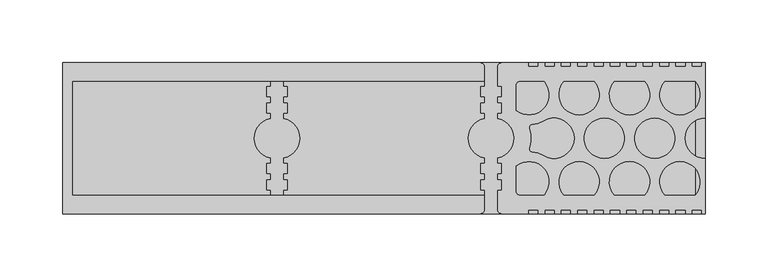
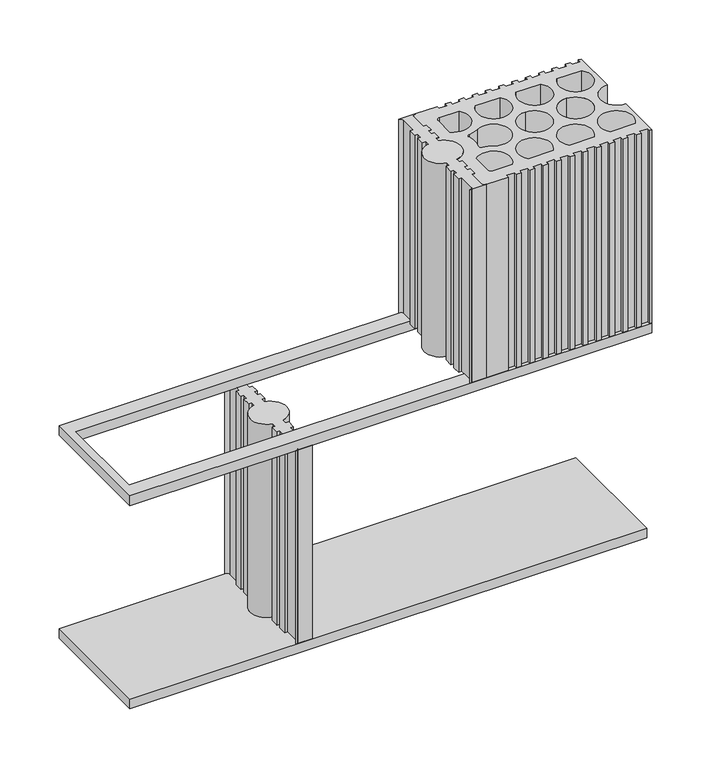
"""IFC4 building model written with IfcOpenShell, lengths in millimetres: plate geometry."""

import ifcopenshell
import ifcopenshell.guid

model = None  # the IFC model being written
_history = None  # IfcOwnerHistory: only IFC2X3 demands one
_inside = {}  # id of a spatial element -> (the spatial element, [elements in it])
_under = {}  # id of a project, library or spatial element -> (it, [spatial elements below it])
_declared = {}  # id of a project -> (the project, [libraries it declares])
_typed = {}  # id of a type object -> (the type object, [elements of that type])
_made_of = {}  # id of a material, layer set ... -> (it, [elements and type objects made of it])


def new_model(schema):
    """Start an empty IFC model of exactly this schema.

    Asked for "IFC4X3", IfcOpenShell would pick the latest addendum, in which some entities
    have other attributes; the version numbers below select the first issue.
    IFC2X3 requires an IfcOwnerHistory on every rooted entity: one is made here for all.
    """
    global model, _history
    if schema == "IFC4X3":
        model = ifcopenshell.file(schema_version=(4, 3, 0, 0))
    else:
        model = ifcopenshell.file(schema=schema)
    _inside.clear()
    _under.clear()
    _declared.clear()
    _typed.clear()
    _made_of.clear()
    _history = None
    if model.schema == "IFC2X3":
        org = make("IfcOrganization", Name="unknown")
        user = make(
            "IfcPersonAndOrganization",
            ThePerson=make("IfcPerson", FamilyName="unknown"),
            TheOrganization=org,
        )
        app = make(
            "IfcApplication",
            ApplicationDeveloper=org,
            Version="unknown",
            ApplicationFullName="unknown",
            ApplicationIdentifier="unknown",
        )
        _history = make(
            "IfcOwnerHistory",
            OwningUser=user,
            OwningApplication=app,
            ChangeAction="ADDED",
            CreationDate=0,
        )
    return model


def make(cls, **values):
    """One entity of the class cls with the attributes given. An attribute that is None is left unset."""
    return model.create_entity(
        cls, **{name: value for name, value in values.items() if value is not None}
    )


def rooted(cls, **values):
    """An entity with a GlobalId (a new one), such as an element, a storey or a relation."""
    return make(cls, GlobalId=ifcopenshell.guid.new(), OwnerHistory=_history, **values)


def si_unit(unit_type, name, prefix=None):
    """IfcSIUnit, for example si_unit("LENGTHUNIT", "METRE", prefix="MILLI")."""
    return make("IfcSIUnit", UnitType=unit_type, Prefix=prefix, Name=name)


def assignment(units):
    """IfcUnitAssignment: the units of a project."""
    return None if units is None else make("IfcUnitAssignment", Units=units)


def point(xyz):
    """IfcCartesianPoint."""
    return None if xyz is None else make("IfcCartesianPoint", Coordinates=xyz)


def direction(xyz):
    """IfcDirection."""
    return None if xyz is None else make("IfcDirection", DirectionRatios=xyz)


def frame(location, z_axis=None, x_axis=None):
    """IfcAxis2Placement3D, a coordinate frame: its origin and axes. An axis left out is left unset."""
    return make(
        "IfcAxis2Placement3D",
        Location=point(location),
        Axis=direction(z_axis),
        RefDirection=direction(x_axis),
    )


def frame_2d(location, x_axis=None):
    """IfcAxis2Placement2D, a coordinate frame in the plane: its origin and x axis."""
    return make(
        "IfcAxis2Placement2D", Location=point(location), RefDirection=direction(x_axis)
    )


def origin():
    """The frame at (0, 0, 0) with its axes left unset."""
    return frame((0.0, 0.0, 0.0))


def place(relative_to, where):
    """IfcLocalPlacement: puts the frame where relative to a parent placement (None: the world)."""
    return make(
        "IfcLocalPlacement", PlacementRelTo=relative_to, RelativePlacement=where
    )


def context(
    kind, dimensions, precision=None, world=None, true_north=None, identifier=None
):
    """IfcGeometricRepresentationContext, for example the 3D "Model" context."""
    return make(
        "IfcGeometricRepresentationContext",
        ContextIdentifier=identifier,
        ContextType=kind,
        CoordinateSpaceDimension=dimensions,
        Precision=precision,
        WorldCoordinateSystem=world,
        TrueNorth=true_north,
    )


def project(units=None, contexts=None):
    """IfcProject with its units and contexts."""
    return rooted(
        "IfcProject",
        Name="project",
        RepresentationContexts=contexts,
        UnitsInContext=assignment(units),
    )


def spatial(cls, under=None, at=None, **own):
    """A site, building, storey or space (cls), placed at a placement, below another one or the project."""
    s = rooted(cls, ObjectPlacement=at, **own)
    if under is not None:
        _under.setdefault(under.id(), (under, []))[1].append(s)
    return s


def polyline(points):
    """IfcPolyline through the points."""
    return make("IfcPolyline", Points=[point(p) for p in points])


def circle_curve(where, radius):
    """IfcCircle in the frame where."""
    return make("IfcCircle", Position=where, Radius=radius)


def trimmed(basis, trim1, trim2, sense, master):
    """IfcTrimmedCurve: the piece of a basis curve between two trims."""
    return make(
        "IfcTrimmedCurve",
        BasisCurve=basis,
        Trim1=trim1,
        Trim2=trim2,
        SenseAgreement=sense,
        MasterRepresentation=master,
    )


def segment(curve, same_sense, transition):
    """IfcCompositeCurveSegment."""
    return make(
        "IfcCompositeCurveSegment",
        Transition=transition,
        SameSense=same_sense,
        ParentCurve=curve,
    )


def composite_curve(segments, self_intersect=None):
    """IfcCompositeCurve: segments joined end to end."""
    return make("IfcCompositeCurve", Segments=segments, SelfIntersect=self_intersect)


def outline(outer, holes=None, kind="AREA"):
    """IfcArbitraryClosedProfileDef: a profile drawn as a closed curve; with holes, ...WithVoids."""
    if holes is None:
        return make("IfcArbitraryClosedProfileDef", ProfileType=kind, OuterCurve=outer)
    return make(
        "IfcArbitraryProfileDefWithVoids",
        ProfileType=kind,
        OuterCurve=outer,
        InnerCurves=holes,
    )


def extrude(swept, where, along, depth):
    """IfcExtrudedAreaSolid: the profile swept, set in the frame where, extruded along a direction by depth."""
    return make(
        "IfcExtrudedAreaSolid",
        SweptArea=swept,
        Position=where,
        ExtrudedDirection=direction(along),
        Depth=depth,
    )


def shape(context_of_items, identifier, shape_type, items):
    """IfcShapeRepresentation: the items that make up one representation, for example the "Body"."""
    return make(
        "IfcShapeRepresentation",
        ContextOfItems=context_of_items,
        RepresentationIdentifier=identifier,
        RepresentationType=shape_type,
        Items=items,
    )


def source(mapping_origin, context_of_items, identifier, shape_type, items):
    """IfcRepresentationMap: a shape defined once, which mapped items show again and again."""
    return make(
        "IfcRepresentationMap",
        MappingOrigin=mapping_origin,
        MappedRepresentation=shape(context_of_items, identifier, shape_type, items),
    )


def transform(
    local_origin,
    x_axis=None,
    y_axis=None,
    z_axis=None,
    scale=None,
    scale2=None,
    scale3=None,
    uniform=True,
):
    """IfcCartesianTransformationOperator3D, or its non-uniform kind. x_axis, y_axis, z_axis: its Axis1, 2, 3."""
    if uniform:
        return make(
            "IfcCartesianTransformationOperator3D",
            Axis1=direction(x_axis),
            Axis2=direction(y_axis),
            LocalOrigin=point(local_origin),
            Scale=scale,
            Axis3=direction(z_axis),
        )
    return make(
        "IfcCartesianTransformationOperator3DnonUniform",
        Axis1=direction(x_axis),
        Axis2=direction(y_axis),
        LocalOrigin=point(local_origin),
        Scale=scale,
        Axis3=direction(z_axis),
        Scale2=scale2,
        Scale3=scale3,
    )


def mapped(mapping_source, mapping_target):
    """IfcMappedItem: shows the shape of a source again, moved by a transform."""
    return make(
        "IfcMappedItem", MappingSource=mapping_source, MappingTarget=mapping_target
    )


def made_of(thing, what):
    """Note that an element or type object is made of a material, layer set ...; save() writes the relation."""
    if what is not None:
        _made_of.setdefault(what.id(), (what, []))[1].append(thing)
    return thing


def element(
    cls,
    number,
    at=None,
    inside=None,
    cuts=None,
    type_object=None,
    material=None,
    context=None,
    identifier="Body",
    shape_type=None,
    held_by="IfcProductDefinitionShape",
    body=None,
    shapes=None,
    **own,
):
    """One element of the class cls, such as IfcWall. Its Tag is "e" and its number.

    at: its placement. inside: the storey or other place that contains it. cuts: it is an
    opening in that element (IfcRelVoidsElement). A single representation is given by context,
    identifier, shape_type and body (its items); several are given by shapes. held_by: the class
    of the entity that holds the representations. save() writes the other relations.
    """
    e = rooted(cls, Tag="e%d" % number, ObjectPlacement=at, **own)
    if body is not None:
        shapes = [shape(context, identifier, shape_type, body)]
    if shapes is not None:
        e.Representation = make(held_by, Representations=shapes)
    if inside is not None:
        _inside.setdefault(inside.id(), (inside, []))[1].append(e)
    if cuts is not None:
        rooted(
            "IfcRelVoidsElement", RelatingBuildingElement=cuts, RelatedOpeningElement=e
        )
    if type_object is not None:
        _typed.setdefault(type_object.id(), (type_object, []))[1].append(e)
    return made_of(e, material)


def aggregate(whole, parts):
    """IfcRelAggregates: a whole, such as a stair, and the parts it consists of."""
    return rooted("IfcRelAggregates", RelatingObject=whole, RelatedObjects=parts)


def save(model, path):
    """Write the relations noted so far, then the file.

    IfcRelAggregates (storeys below a building ...), IfcRelContainedInSpatialStructure (elements
    in a storey), IfcRelDefinesByType, IfcRelAssociatesMaterial and IfcRelDeclares: one each for
    every whole, place, type object, material and project.
    """
    for whole, parts in _under.values():
        aggregate(whole, parts)
    for where, things in _inside.values():
        rooted(
            "IfcRelContainedInSpatialStructure",
            RelatedElements=things,
            RelatingStructure=where,
        )
    for kind, things in _typed.values():
        rooted("IfcRelDefinesByType", RelatedObjects=things, RelatingType=kind)
    for what, things in _made_of.values():
        rooted("IfcRelAssociatesMaterial", RelatedObjects=things, RelatingMaterial=what)
    for by, libraries in _declared.values():
        rooted("IfcRelDeclares", RelatingContext=by, RelatedDefinitions=libraries)
    model.write(path)


def plane_surface(at):
    """IfcPlane: the flat surface through the origin of the frame at, square to its z axis."""
    return make("IfcPlane", Position=at)


def cylinder_surface(at, radius):
    """IfcCylindricalSurface: all points at the distance radius from the z axis of the frame at."""
    return make("IfcCylindricalSurface", Position=at, Radius=radius)


def revolved_surface(curve, axis_point, axis_direction):
    """IfcSurfaceOfRevolution: the curve turned about the line through axis_point along axis_direction."""
    return make(
        "IfcSurfaceOfRevolution",
        SweptCurve=make("IfcArbitraryOpenProfileDef", ProfileType="CURVE", Curve=curve),
        AxisPosition=make("IfcAxis1Placement", Location=point(axis_point), Axis=direction(axis_direction)),
    )


def advanced_brep(points, edges, surfaces, faces):
    """IfcAdvancedBrep: a solid bounded by faces that lie on surfaces and meet in shared edges.

    An edge is (start, end): straight between two places in points (the first is 0);
    or (start, end, curve); or (start, end, curve, False) where it runs against its curve.
    A face is (place in surfaces, loops), or (place, loops, False) where it looks against
    its surface's normal. A loop lists edges by number (the first is 1), with a minus sign
    where the edge is run from its end to its start. The first loop is the outer one.
    """
    corners = [point(p) for p in points]
    vertices = [make("IfcVertexPoint", VertexGeometry=c) for c in corners]
    made = []
    for start, end, *more in edges:
        made.append(
            make(
                "IfcEdgeCurve",
                EdgeStart=vertices[start],
                EdgeEnd=vertices[end],
                EdgeGeometry=more[0] if more else make("IfcPolyline", Points=[corners[start], corners[end]]),
                SameSense=more[1] if len(more) > 1 else True,
            )
        )
    hull = []
    for where, loops, *sense in faces:
        bounds = []
        for j, loop in enumerate(loops):
            ring = [make("IfcOrientedEdge", EdgeElement=made[abs(k) - 1], Orientation=k > 0) for k in loop]
            bounds.append(
                make(
                    "IfcFaceOuterBound" if j == 0 else "IfcFaceBound",
                    Bound=make("IfcEdgeLoop", EdgeList=ring),
                    Orientation=True,
                )
            )
        hull.append(make("IfcAdvancedFace", Bounds=bounds, FaceSurface=surfaces[where], SameSense=sense[0] if sense else True))
    return make("IfcAdvancedBrep", Outer=make("IfcClosedShell", CfsFaces=hull))


def plate_94aa6966(model_context):
    return source(origin(), model_context, "Body", "SolidModel", [
        extrude(outline(polyline([(249.9995197, -59.9998788), (-254.9995197, -59.9998788), (-254.9995197, 59.9998815), (249.9995197, 59.9998815), (249.9995197, -59.9998788)])), frame((0.0, 0.0, -10.0), z_axis=(0.0, 0.0, 1.0), x_axis=(1.0, 0.0, 0.0)), (0.0, 0.0, 1.0), 10.0),
        advanced_brep(
        [(-89.9998399, -40.9999178, 200.0), (-89.9998399, -56.9998835, 200.0), (-92.9997277, -59.9998788, 200.0), (-76.9999521, -59.9998788, 200.0), (-79.9998399, -56.9998835, 200.0), (-79.9998399, -40.9999178, 200.0), (-76.999825, -40.9999178, 200.0), (-76.999825, -32.9999326, 200.0), (-79.9998399, -32.9999326, 200.0), (-79.9998399, -28.0000895, 200.0), (-76.999825, -28.0000895, 200.0), (-76.999825, -19.9999605, 200.0), (-79.9998399, -19.9999605, 200.0), (-79.9998399, -15.7162044, 200.0), (-79.9998399, 15.7162071, 200.0), (-79.9998399, 19.9999578, 200.0), (-76.999825, 19.9999578, 200.0), (-76.999825, 27.999943, 200.0), (-79.9998399, 27.999943, 200.0), (-79.9998399, 32.9999355, 200.0), (-76.999825, 32.9999355, 200.0), (-76.999825, 40.9999207, 200.0), (-79.9998399, 40.9999207, 200.0), (-79.9998399, 56.9998835, 200.0), (-76.999825, 59.9998761, 200.0), (-92.9998548, 59.9998761, 200.0), (-89.9998399, 56.9998835, 200.0), (-89.9998399, 40.9999207, 200.0), (-92.9998548, 40.9999207, 200.0), (-92.9998548, 32.9999355, 200.0), (-89.9998399, 32.9999355, 200.0), (-89.9998399, 27.999943, 200.0), (-92.9998548, 27.999943, 200.0), (-92.9998548, 19.9999578, 200.0), (-89.9998399, 19.9999578, 200.0), (-89.9998399, 15.7162071, 200.0), (-89.9998399, -15.7162044, 200.0), (-89.9998399, -19.9999605, 200.0), (-92.9998548, -19.9999605, 200.0), (-92.9998548, -27.9999419, 200.0), (-89.9998399, -27.9999419, 200.0), (-89.9998399, -32.9999326, 200.0), (-92.9998548, -32.9999326, 200.0), (-92.9998548, -40.9999178, 200.0), (-89.9998399, -40.9999178, 0.0), (-92.9998548, -40.9999178, 0.0), (-92.9998548, -32.9999326, 0.0), (-89.9998399, -32.9999326, 0.0), (-89.9998399, -27.9999419, 0.0), (-92.9998548, -27.9999419, 0.0), (-92.9998548, -19.9999605, 0.0), (-89.9998399, -19.9999605, 0.0), (-89.9998399, -15.7162044, 0.0), (-89.9998399, 15.7162071, 0.0), (-89.9998399, 19.9999578, 0.0), (-92.9998548, 19.9999578, 0.0), (-92.9998548, 27.999943, 0.0), (-89.9998399, 27.999943, 0.0), (-89.9998399, 32.9999355, 0.0), (-92.9998548, 32.9999355, 0.0), (-92.9998548, 40.9999207, 0.0), (-89.9998399, 40.9999207, 0.0), (-89.9998399, 56.9998835, 0.0), (-92.9998548, 59.9998761, 0.0), (-76.999825, 59.9998761, 0.0), (-79.9998399, 56.9998835, 0.0), (-79.9998399, 40.9999207, 0.0), (-76.999825, 40.9999207, 0.0), (-76.999825, 32.9999355, 0.0), (-79.9998399, 32.9999355, 0.0), (-79.9998399, 27.999943, 0.0), (-76.999825, 27.999943, 0.0), (-76.999825, 19.9999578, 0.0), (-79.9998399, 19.9999578, 0.0), (-79.9998399, 15.7162071, 0.0), (-79.9998399, -15.7162044, 0.0), (-79.9998399, -19.9999605, 0.0), (-76.999825, -19.9999605, 0.0), (-76.999825, -28.0000895, 0.0), (-79.9998399, -28.0000895, 0.0), (-79.9998399, -32.9999326, 0.0), (-76.999825, -32.9999326, 0.0), (-76.999825, -40.9999178, 0.0), (-79.9998399, -40.9999178, 0.0), (-79.9998399, -56.9998835, 0.0), (-76.9999521, -59.9998788, 0.0), (-92.9997277, -59.9998788, 0.0), (-89.9998399, -56.9998835, 0.0)],
        [
            (0, 1),
            (1, 2, circle_curve(frame((-92.9378077, -57.0619088, 200.0), z_axis=(0.0, 0.0, -1.0), x_axis=(1.0, 0.0, 0.0)), 2.9386225)),
            (2, 3),
            (3, 4, circle_curve(frame((-77.0618721, -57.0619088, 200.0), z_axis=(0.0, 0.0, -1.0), x_axis=(1.0, 0.0, 0.0)), 2.9386225)),
            (4, 5),
            (5, 6),
            (6, 7),
            (7, 8),
            (8, 9),
            (9, 10),
            (10, 11),
            (11, 12),
            (12, 13),
            (13, 14, circle_curve(frame((-82.9998224, 1.4e-06, 200.0), z_axis=(0.0, 0.0, 1.0), x_axis=(1.0, 0.0, 0.0)), 15.9999693)),
            (14, 15),
            (15, 16),
            (16, 17),
            (17, 18),
            (18, 19),
            (19, 20),
            (20, 21),
            (21, 22),
            (22, 23),
            (23, 24, circle_curve(frame((-77.0618721, 57.0619088, 200.0), z_axis=(0.0, 0.0, -1.0), x_axis=(1.0, 0.0, 0.0)), 2.9386225)),
            (24, 25),
            (25, 26, circle_curve(frame((-92.9378077, 57.0619088, 200.0), z_axis=(0.0, 0.0, -1.0), x_axis=(1.0, 0.0, 0.0)), 2.9386225)),
            (26, 27),
            (27, 28),
            (28, 29),
            (29, 30),
            (30, 31),
            (31, 32),
            (32, 33),
            (33, 34),
            (34, 35),
            (35, 36, circle_curve(frame((-86.9998574, 1.4e-06, 200.0), z_axis=(0.0, 0.0, 1.0), x_axis=(1.0, 0.0, 0.0)), 15.9999693)),
            (36, 37),
            (37, 38),
            (38, 39),
            (39, 40),
            (40, 41),
            (41, 42),
            (42, 43),
            (43, 0),
            (44, 45),
            (45, 46),
            (46, 47),
            (47, 48),
            (48, 49),
            (49, 50),
            (50, 51),
            (51, 52),
            (52, 53, circle_curve(frame((-86.9998574, 1.4e-06, 0.0), z_axis=(0.0, 0.0, -1.0), x_axis=(1.0, 0.0, 0.0)), 15.9999693)),
            (53, 54),
            (54, 55),
            (55, 56),
            (56, 57),
            (57, 58),
            (58, 59),
            (59, 60),
            (60, 61),
            (61, 62),
            (62, 63, circle_curve(frame((-92.9378077, 57.0619088, 0.0), z_axis=(0.0, 0.0, 1.0), x_axis=(1.0, 0.0, 0.0)), 2.9386225)),
            (63, 64),
            (64, 65, circle_curve(frame((-77.0618721, 57.0619088, 0.0), z_axis=(0.0, 0.0, 1.0), x_axis=(1.0, 0.0, 0.0)), 2.9386225)),
            (65, 66),
            (66, 67),
            (67, 68),
            (68, 69),
            (69, 70),
            (70, 71),
            (71, 72),
            (72, 73),
            (73, 74),
            (74, 75, circle_curve(frame((-82.9998224, 1.4e-06, 0.0), z_axis=(0.0, 0.0, -1.0), x_axis=(1.0, 0.0, 0.0)), 15.9999693)),
            (75, 76),
            (76, 77),
            (77, 78),
            (78, 79),
            (79, 80),
            (80, 81),
            (81, 82),
            (82, 83),
            (83, 84),
            (84, 85, circle_curve(frame((-77.0618721, -57.0619088, 0.0), z_axis=(0.0, 0.0, 1.0), x_axis=(1.0, 0.0, 0.0)), 2.9386225)),
            (85, 86),
            (86, 87, circle_curve(frame((-92.9378077, -57.0619088, 0.0), z_axis=(0.0, 0.0, 1.0), x_axis=(1.0, 0.0, 0.0)), 2.9386225)),
            (87, 44),
            (0, 44),
            (87, 1),
            (86, 2),
            (85, 3),
            (84, 4),
            (83, 5),
            (22, 66),
            (65, 23),
            (64, 24),
            (63, 25),
            (62, 26),
            (61, 27),
            (82, 6),
            (81, 7),
            (80, 8),
            (79, 9),
            (78, 10),
            (77, 11),
            (76, 12),
            (75, 13),
            (74, 14),
            (73, 15),
            (72, 16),
            (71, 17),
            (70, 18),
            (69, 19),
            (68, 20),
            (67, 21),
            (60, 28),
            (59, 29),
            (58, 30),
            (57, 31),
            (56, 32),
            (55, 33),
            (54, 34),
            (53, 35),
            (52, 36),
            (51, 37),
            (50, 38),
            (49, 39),
            (48, 40),
            (47, 41),
            (46, 42),
            (45, 43),
        ],
        [
            plane_surface(frame((-89.9998399, -56.9998835, 200.0), z_axis=(0.0, 0.0, 1.0), x_axis=(0.0, -1.0, 0.0))),
            plane_surface(frame((-89.9998399, -56.9998835, 0.0), z_axis=(0.0, 0.0, -1.0), x_axis=(0.0, 1.0, 0.0))),
            plane_surface(frame((-89.9998399, -40.9999178, 200.0), z_axis=(-1.0, 0.0, 0.0), x_axis=(0.0, 0.0, -1.0))),
            revolved_surface(polyline([(-89.9991852, -57.0619088, 0.0), (-89.9991852, -57.0619088, 200.0)]), (-92.9378077, -57.0619088, 0.0), (0.0, 0.0, -1.0)),
            plane_surface(frame((-92.9997277, -59.9998788, 200.0), z_axis=(0.0, -1.0, 0.0), x_axis=(0.0, 0.0, -1.0))),
            revolved_surface(polyline([(-74.12324960000001, -57.0619088, 0.0), (-74.12324960000001, -57.0619088, 200.0)]), (-77.0618721, -57.0619088, 0.0), (0.0, 0.0, -1.0)),
            plane_surface(frame((-79.9998399, -56.9998835, 200.0), z_axis=(1.0, 0.0, 0.0), x_axis=(0.0, 0.0, -1.0))),
            plane_surface(frame((-79.9998399, 40.9999207, 200.0), z_axis=(1.0, 0.0, 0.0), x_axis=(0.0, 0.0, -1.0))),
            revolved_surface(polyline([(-74.12324960000001, 57.0619088, 0.0), (-74.12324960000001, 57.0619088, 200.0)]), (-77.0618721, 57.0619088, 0.0), (0.0, 0.0, -1.0)),
            plane_surface(frame((-76.999825, 59.9998761, 200.0), z_axis=(0.0, 1.0, 0.0), x_axis=(0.0, 0.0, -1.0))),
            revolved_surface(polyline([(-89.9991852, 57.0619088, 0.0), (-89.9991852, 57.0619088, 200.0)]), (-92.9378077, 57.0619088, 0.0), (0.0, 0.0, -1.0)),
            plane_surface(frame((-89.9998399, 56.9998835, 200.0), z_axis=(-1.0, 0.0, 0.0), x_axis=(0.0, 0.0, -1.0))),
            plane_surface(frame((-79.9998399, -40.9999178, 200.0), z_axis=(0.0, -1.0, 0.0), x_axis=(0.0, 0.0, -1.0))),
            plane_surface(frame((-76.999825, -40.9999178, 200.0), z_axis=(1.0, 0.0, 0.0), x_axis=(0.0, 0.0, -1.0))),
            plane_surface(frame((-76.999825, -32.9999326, 200.0), z_axis=(0.0, 1.0, 0.0), x_axis=(0.0, 0.0, -1.0))),
            plane_surface(frame((-79.9998399, -32.9999326, 200.0), z_axis=(1.0, 0.0, 0.0), x_axis=(0.0, 0.0, -1.0))),
            plane_surface(frame((-79.9998399, -28.0000895, 200.0), z_axis=(0.0, -1.0, 0.0), x_axis=(0.0, 0.0, -1.0))),
            plane_surface(frame((-76.999825, -28.0000895, 200.0), z_axis=(1.0, 0.0, 0.0), x_axis=(0.0, 0.0, -1.0))),
            plane_surface(frame((-76.999825, -19.9999605, 200.0), z_axis=(0.0, 1.0, 0.0), x_axis=(0.0, 0.0, -1.0))),
            plane_surface(frame((-79.9998399, -19.9999605, 200.0), z_axis=(1.0, 0.0, 0.0), x_axis=(0.0, 0.0, -1.0))),
            cylinder_surface(frame((-82.9998224, 1.4e-06, 0.0), z_axis=(0.0, 0.0, 1.0), x_axis=(1.0, 0.0, 0.0)), 15.9999693),
            plane_surface(frame((-79.9998399, 15.7162071, 200.0), z_axis=(1.0, 0.0, 0.0), x_axis=(0.0, 0.0, -1.0))),
            plane_surface(frame((-79.9998399, 19.9999578, 200.0), z_axis=(0.0, -1.0, 0.0), x_axis=(0.0, 0.0, -1.0))),
            plane_surface(frame((-76.999825, 19.9999578, 200.0), z_axis=(1.0, 0.0, 0.0), x_axis=(0.0, 0.0, -1.0))),
            plane_surface(frame((-76.999825, 27.999943, 200.0), z_axis=(0.0, 1.0, 0.0), x_axis=(0.0, 0.0, -1.0))),
            plane_surface(frame((-79.9998399, 27.999943, 200.0), z_axis=(1.0, 0.0, 0.0), x_axis=(0.0, 0.0, -1.0))),
            plane_surface(frame((-79.9998399, 32.9999355, 200.0), z_axis=(0.0, -1.0, 0.0), x_axis=(0.0, 0.0, -1.0))),
            plane_surface(frame((-76.999825, 32.9999355, 200.0), z_axis=(1.0, 0.0, 0.0), x_axis=(0.0, 0.0, -1.0))),
            plane_surface(frame((-76.999825, 40.9999207, 200.0), z_axis=(0.0, 1.0, 0.0), x_axis=(0.0, 0.0, -1.0))),
            plane_surface(frame((-89.9998399, 40.9999207, 200.0), z_axis=(0.0, 1.0, 0.0), x_axis=(0.0, 0.0, -1.0))),
            plane_surface(frame((-92.9998548, 40.9999207, 200.0), z_axis=(-1.0, 0.0, 0.0), x_axis=(0.0, 0.0, -1.0))),
            plane_surface(frame((-92.9998548, 32.9999355, 200.0), z_axis=(0.0, -1.0, 0.0), x_axis=(0.0, 0.0, -1.0))),
            plane_surface(frame((-89.9998399, 32.9999355, 200.0), z_axis=(-1.0, 0.0, 0.0), x_axis=(0.0, 0.0, -1.0))),
            plane_surface(frame((-89.9998399, 27.999943, 200.0), z_axis=(0.0, 1.0, 0.0), x_axis=(0.0, 0.0, -1.0))),
            plane_surface(frame((-92.9998548, 27.999943, 200.0), z_axis=(-1.0, 0.0, 0.0), x_axis=(0.0, 0.0, -1.0))),
            plane_surface(frame((-92.9998548, 19.9999578, 200.0), z_axis=(0.0, -1.0, 0.0), x_axis=(0.0, 0.0, -1.0))),
            plane_surface(frame((-89.9998399, 19.9999578, 200.0), z_axis=(-1.0, 0.0, 0.0), x_axis=(0.0, 0.0, -1.0))),
            cylinder_surface(frame((-86.9998574, 1.4e-06, 0.0), z_axis=(0.0, 0.0, 1.0), x_axis=(1.0, 0.0, 0.0)), 15.9999693),
            plane_surface(frame((-89.9998399, -15.7162044, 200.0), z_axis=(-1.0, 0.0, 0.0), x_axis=(0.0, 0.0, -1.0))),
            plane_surface(frame((-89.9998399, -19.9999605, 200.0), z_axis=(0.0, 1.0, 0.0), x_axis=(0.0, 0.0, -1.0))),
            plane_surface(frame((-92.9998548, -19.9999605, 200.0), z_axis=(-1.0, 0.0, 0.0), x_axis=(0.0, 0.0, -1.0))),
            plane_surface(frame((-92.9998548, -27.9999419, 200.0), z_axis=(0.0, -1.0, 0.0), x_axis=(0.0, 0.0, -1.0))),
            plane_surface(frame((-89.9998399, -27.9999419, 200.0), z_axis=(-1.0, 0.0, 0.0), x_axis=(0.0, 0.0, -1.0))),
            plane_surface(frame((-89.9998399, -32.9999326, 200.0), z_axis=(0.0, 1.0, 0.0), x_axis=(0.0, 0.0, -1.0))),
            plane_surface(frame((-92.9998548, -32.9999326, 200.0), z_axis=(-1.0, 0.0, 0.0), x_axis=(0.0, 0.0, -1.0))),
            plane_surface(frame((-92.9998548, -40.9999178, 200.0), z_axis=(0.0, -1.0, 0.0), x_axis=(0.0, 0.0, -1.0))),
        ],
        [
            (0, [[1, 2, 3, 4, 5, 6, 7, 8, 9, 10, 11, 12, 13, 14, 15, 16, 17, 18, 19, 20, 21, 22, 23, 24, 25, 26, 27, 28, 29, 30, 31, 32, 33, 34, 35, 36, 37, 38, 39, 40, 41, 42, 43, 44]]),
            (1, [[45, 46, 47, 48, 49, 50, 51, 52, 53, 54, 55, 56, 57, 58, 59, 60, 61, 62, 63, 64, 65, 66, 67, 68, 69, 70, 71, 72, 73, 74, 75, 76, 77, 78, 79, 80, 81, 82, 83, 84, 85, 86, 87, 88]]),
            (2, [[-1, 89, -88, 90]]),
            (3, [[-2, -90, -87, 91]]),
            (4, [[-3, -91, -86, 92]]),
            (5, [[-4, -92, -85, 93]]),
            (6, [[-5, -93, -84, 94]]),
            (7, [[-23, 95, -66, 96]]),
            (8, [[-24, -96, -65, 97]]),
            (9, [[-25, -97, -64, 98]]),
            (10, [[-26, -98, -63, 99]]),
            (11, [[-27, -99, -62, 100]]),
            (12, [[-6, -94, -83, 101]]),
            (13, [[-7, -101, -82, 102]]),
            (14, [[-8, -102, -81, 103]]),
            (15, [[-9, -103, -80, 104]]),
            (16, [[-10, -104, -79, 105]]),
            (17, [[-11, -105, -78, 106]]),
            (18, [[-12, -106, -77, 107]]),
            (19, [[-13, -107, -76, 108]]),
            (20, [[-14, -108, -75, 109]]),
            (21, [[-15, -109, -74, 110]]),
            (22, [[-16, -110, -73, 111]]),
            (23, [[-17, -111, -72, 112]]),
            (24, [[-18, -112, -71, 113]]),
            (25, [[-19, -113, -70, 114]]),
            (26, [[-20, -114, -69, 115]]),
            (27, [[-21, -115, -68, 116]]),
            (28, [[-22, -116, -67, -95]]),
            (29, [[-28, -100, -61, 117]]),
            (30, [[-29, -117, -60, 118]]),
            (31, [[-30, -118, -59, 119]]),
            (32, [[-31, -119, -58, 120]]),
            (33, [[-32, -120, -57, 121]]),
            (34, [[-33, -121, -56, 122]]),
            (35, [[-34, -122, -55, 123]]),
            (36, [[-35, -123, -54, 124]]),
            (37, [[-36, -124, -53, 125]]),
            (38, [[-37, -125, -52, 126]]),
            (39, [[-38, -126, -51, 127]]),
            (40, [[-39, -127, -50, 128]]),
            (41, [[-40, -128, -49, 129]]),
            (42, [[-41, -129, -48, 130]]),
            (43, [[-42, -130, -47, 131]]),
            (44, [[-43, -131, -46, 132]]),
            (45, [[-44, -132, -45, -89]]),
        ],
    ),
        extrude(outline(polyline([(-254.9995197, 59.9998801), (254.9995197, 59.9998801), (254.9995197, -59.9998788), (-254.9995197, -59.9998788), (-254.9995197, 59.9998801)]), holes=[polyline([(247.1934492, 44.9999121), (-247.1934394, 44.9999121), (-247.1934394, -44.9999108), (247.1934492, -44.9999108), (247.1934492, 44.9999121)])]), frame((0.0, 0.0, 200.0), z_axis=(0.0, 0.0, 1.0), x_axis=(1.0, 0.0, 0.0)), (0.0, 0.0, 1.0), 10.0),
        advanced_brep(
        [(89.9998399, 40.9999193, 410.0), (89.9998399, 56.9998822, 410.0), (92.9995342, 59.9998815, 410.0), (77.0001456, 59.9998815, 410.0), (79.9998399, 56.9998822, 410.0), (79.9998399, 40.9999193, 410.0), (76.999825, 40.9999193, 410.0), (76.999825, 32.9999342, 410.0), (79.9998399, 32.9999342, 410.0), (79.9998399, 27.9999416, 410.0), (76.999825, 27.9999416, 410.0), (76.999825, 19.9999565, 410.0), (79.9998399, 19.9999565, 410.0), (79.9998399, 15.7162058, 410.0), (79.9998399, -15.7162058, 410.0), (79.9998399, -19.9999618, 410.0), (76.999825, -19.9999618, 410.0), (76.999825, -27.9999433, 410.0), (79.9998399, -27.9999433, 410.0), (79.9998399, -32.999934, 410.0), (76.999825, -32.999934, 410.0), (76.999825, -40.9999191, 410.0), (79.9998399, -40.9999191, 410.0), (79.9998399, -56.9998849, 410.0), (76.9998878, -59.9998788, 410.0), (92.999792, -59.9998788, 410.0), (89.9998399, -56.9998849, 410.0), (89.9998399, -40.9999191, 410.0), (92.9998548, -40.9999191, 410.0), (92.9998548, -32.999934, 410.0), (89.9998399, -32.999934, 410.0), (89.9998399, -28.0000909, 410.0), (92.9998548, -28.0000909, 410.0), (92.9998548, -19.9999618, 410.0), (89.9998399, -19.9999618, 410.0), (89.9998399, -15.7162058, 410.0), (89.9998399, 15.7162058, 410.0), (89.9998399, 19.9999565, 410.0), (92.9998548, 19.9999565, 410.0), (92.9998548, 27.9999416, 410.0), (89.9998399, 27.9999416, 410.0), (89.9998399, 32.9999342, 410.0), (92.9998548, 32.9999342, 410.0), (92.9998548, 40.9999193, 410.0), (89.9998399, 40.9999193, 210.0), (92.9998548, 40.9999193, 210.0), (92.9998548, 32.9999342, 210.0), (89.9998399, 32.9999342, 210.0), (89.9998399, 27.9999416, 210.0), (92.9998548, 27.9999416, 210.0), (92.9998548, 19.9999565, 210.0), (89.9998399, 19.9999565, 210.0), (89.9998399, 15.7162058, 210.0), (89.9998399, -15.7162058, 210.0), (89.9998399, -19.9999618, 210.0), (92.9998548, -19.9999618, 210.0), (92.9998548, -28.0000909, 210.0), (89.9998399, -28.0000909, 210.0), (89.9998399, -32.999934, 210.0), (92.9998548, -32.999934, 210.0), (92.9998548, -40.9999191, 210.0), (89.9998399, -40.9999191, 210.0), (89.9998399, -56.9998849, 210.0), (92.999792, -59.9998788, 210.0), (76.9998878, -59.9998788, 210.0), (79.9998399, -56.9998849, 210.0), (79.9998399, -40.9999191, 210.0), (76.999825, -40.9999191, 210.0), (76.999825, -32.999934, 210.0), (79.9998399, -32.999934, 210.0), (79.9998399, -27.9999433, 210.0), (76.999825, -27.9999433, 210.0), (76.999825, -19.9999618, 210.0), (79.9998399, -19.9999618, 210.0), (79.9998399, -15.7162058, 210.0), (79.9998399, 15.7162058, 210.0), (79.9998399, 19.9999565, 210.0), (76.999825, 19.9999565, 210.0), (76.999825, 27.9999416, 210.0), (79.9998399, 27.9999416, 210.0), (79.9998399, 32.9999342, 210.0), (76.999825, 32.9999342, 210.0), (76.999825, 40.9999193, 210.0), (79.9998399, 40.9999193, 210.0), (79.9998399, 56.9998822, 210.0), (77.0001456, 59.9998815, 210.0), (92.9995342, 59.9998815, 210.0), (89.9998399, 56.9998822, 210.0)],
        [
            (0, 1),
            (1, 2, circle_curve(frame((92.9378077, 57.0619074, 410.0), z_axis=(0.0, 0.0, -1.0), x_axis=(0.0, 1.0, 0.0)), 2.9386225)),
            (2, 3),
            (3, 4, circle_curve(frame((77.0618721, 57.0619074, 410.0), z_axis=(0.0, 0.0, -1.0), x_axis=(0.0, 1.0, 0.0)), 2.9386225)),
            (4, 5),
            (5, 6),
            (6, 7),
            (7, 8),
            (8, 9),
            (9, 10),
            (10, 11),
            (11, 12),
            (12, 13),
            (13, 14, circle_curve(frame((82.9998224, 0.0, 410.0), z_axis=(0.0, 0.0, 1.0), x_axis=(0.0, 1.0, 0.0)), 15.9999693)),
            (14, 15),
            (15, 16),
            (16, 17),
            (17, 18),
            (18, 19),
            (19, 20),
            (20, 21),
            (21, 22),
            (22, 23),
            (23, 24, circle_curve(frame((77.0618721, -57.0619101, 410.0), z_axis=(0.0, 0.0, -1.0), x_axis=(0.0, 1.0, 0.0)), 2.9386225)),
            (24, 25),
            (25, 26, circle_curve(frame((92.9378077, -57.0619101, 410.0), z_axis=(0.0, 0.0, -1.0), x_axis=(0.0, 1.0, 0.0)), 2.9386225)),
            (26, 27),
            (27, 28),
            (28, 29),
            (29, 30),
            (30, 31),
            (31, 32),
            (32, 33),
            (33, 34),
            (34, 35),
            (35, 36, circle_curve(frame((86.9998574, 0.0, 410.0), z_axis=(0.0, 0.0, 1.0), x_axis=(0.0, 1.0, 0.0)), 15.9999693)),
            (36, 37),
            (37, 38),
            (38, 39),
            (39, 40),
            (40, 41),
            (41, 42),
            (42, 43),
            (43, 0),
            (44, 45),
            (45, 46),
            (46, 47),
            (47, 48),
            (48, 49),
            (49, 50),
            (50, 51),
            (51, 52),
            (52, 53, circle_curve(frame((86.9998574, 0.0, 210.0), z_axis=(0.0, 0.0, -1.0), x_axis=(0.0, 1.0, 0.0)), 15.9999693)),
            (53, 54),
            (54, 55),
            (55, 56),
            (56, 57),
            (57, 58),
            (58, 59),
            (59, 60),
            (60, 61),
            (61, 62),
            (62, 63, circle_curve(frame((92.9378077, -57.0619101, 210.0), z_axis=(0.0, 0.0, 1.0), x_axis=(0.0, 1.0, 0.0)), 2.9386225)),
            (63, 64),
            (64, 65, circle_curve(frame((77.0618721, -57.0619101, 210.0), z_axis=(0.0, 0.0, 1.0), x_axis=(0.0, 1.0, 0.0)), 2.9386225)),
            (65, 66),
            (66, 67),
            (67, 68),
            (68, 69),
            (69, 70),
            (70, 71),
            (71, 72),
            (72, 73),
            (73, 74),
            (74, 75, circle_curve(frame((82.9998224, 0.0, 210.0), z_axis=(0.0, 0.0, -1.0), x_axis=(0.0, 1.0, 0.0)), 15.9999693)),
            (75, 76),
            (76, 77),
            (77, 78),
            (78, 79),
            (79, 80),
            (80, 81),
            (81, 82),
            (82, 83),
            (83, 84),
            (84, 85, circle_curve(frame((77.0618721, 57.0619074, 210.0), z_axis=(0.0, 0.0, 1.0), x_axis=(0.0, 1.0, 0.0)), 2.9386225)),
            (85, 86),
            (86, 87, circle_curve(frame((92.9378077, 57.0619074, 210.0), z_axis=(0.0, 0.0, 1.0), x_axis=(0.0, 1.0, 0.0)), 2.9386225)),
            (87, 44),
            (0, 44),
            (87, 1),
            (2, 86),
            (85, 3),
            (4, 84),
            (83, 5),
            (22, 66),
            (65, 23),
            (24, 64),
            (63, 25),
            (26, 62),
            (61, 27),
            (82, 6),
            (81, 7),
            (80, 8),
            (79, 9),
            (78, 10),
            (77, 11),
            (76, 12),
            (75, 13),
            (74, 14),
            (73, 15),
            (72, 16),
            (71, 17),
            (70, 18),
            (69, 19),
            (68, 20),
            (67, 21),
            (60, 28),
            (59, 29),
            (58, 30),
            (57, 31),
            (56, 32),
            (55, 33),
            (54, 34),
            (53, 35),
            (52, 36),
            (51, 37),
            (50, 38),
            (49, 39),
            (48, 40),
            (47, 41),
            (46, 42),
            (45, 43),
        ],
        [
            plane_surface(frame((89.9998399, 47.1241744, 410.0), z_axis=(0.0, 0.0, 1.0), x_axis=(0.0, 1.0, 0.0))),
            plane_surface(frame((89.9998399, 47.1241744, 210.0), z_axis=(0.0, 0.0, -1.0), x_axis=(0.0, -1.0, 0.0))),
            plane_surface(frame((89.9998399, 40.9999193, 410.0), z_axis=(1.0, 0.0, 0.0), x_axis=(0.0, 0.0, -1.0))),
            plane_surface(frame((92.9995342, 59.9998815, 410.0), z_axis=(0.0, 1.0, 0.0), x_axis=(0.0, 0.0, -1.0))),
            plane_surface(frame((79.9998399, 56.9998822, 410.0), z_axis=(-1.0, 0.0, 0.0), x_axis=(0.0, 0.0, -1.0))),
            plane_surface(frame((79.9998399, -40.9999191, 410.0), z_axis=(-1.0, 0.0, 0.0), x_axis=(0.0, 0.0, -1.0))),
            plane_surface(frame((76.9998878, -59.9998788, 410.0), z_axis=(0.0, -1.0, 0.0), x_axis=(0.0, 0.0, -1.0))),
            plane_surface(frame((89.9998399, -56.9998849, 410.0), z_axis=(1.0, 0.0, 0.0), x_axis=(0.0, 0.0, -1.0))),
            revolved_surface(polyline([(92.9378077, 60.000529900000004, 210.0), (92.9378077, 60.000529900000004, 410.0)]), (92.9378077, 57.0619074, 210.0), (0.0, 0.0, -1.0)),
            revolved_surface(polyline([(77.0618721, 60.000529900000004, 210.0), (77.0618721, 60.000529900000004, 410.0)]), (77.0618721, 57.0619074, 210.0), (0.0, 0.0, -1.0)),
            revolved_surface(polyline([(77.0618721, -54.1232876, 210.0), (77.0618721, -54.1232876, 410.0)]), (77.0618721, -57.0619101, 210.0), (0.0, 0.0, -1.0)),
            revolved_surface(polyline([(92.9378077, -54.1232876, 210.0), (92.9378077, -54.1232876, 410.0)]), (92.9378077, -57.0619101, 210.0), (0.0, 0.0, -1.0)),
            plane_surface(frame((79.9998399, 40.9999193, 410.0), z_axis=(0.0, 1.0, 0.0), x_axis=(0.0, 0.0, -1.0))),
            plane_surface(frame((76.999825, 40.9999193, 410.0), z_axis=(-1.0, 0.0, 0.0), x_axis=(0.0, 0.0, -1.0))),
            plane_surface(frame((76.999825, 32.9999342, 410.0), z_axis=(0.0, -1.0, 0.0), x_axis=(0.0, 0.0, -1.0))),
            plane_surface(frame((79.9998399, 32.9999342, 410.0), z_axis=(-1.0, 0.0, 0.0), x_axis=(0.0, 0.0, -1.0))),
            plane_surface(frame((79.9998399, 27.9999416, 410.0), z_axis=(0.0, 1.0, 0.0), x_axis=(0.0, 0.0, -1.0))),
            plane_surface(frame((76.999825, 27.9999416, 410.0), z_axis=(-1.0, 0.0, 0.0), x_axis=(0.0, 0.0, -1.0))),
            plane_surface(frame((76.999825, 19.9999565, 410.0), z_axis=(0.0, -1.0, 0.0), x_axis=(0.0, 0.0, -1.0))),
            plane_surface(frame((79.9998399, 19.9999565, 410.0), z_axis=(-1.0, 0.0, 0.0), x_axis=(0.0, 0.0, -1.0))),
            cylinder_surface(frame((82.9998224, 0.0, 210.0), z_axis=(0.0, 0.0, 1.0), x_axis=(0.0, 1.0, 0.0)), 15.9999693),
            plane_surface(frame((79.9998399, -15.7162058, 410.0), z_axis=(-1.0, 0.0, 0.0), x_axis=(0.0, 0.0, -1.0))),
            plane_surface(frame((79.9998399, -19.9999618, 410.0), z_axis=(0.0, 1.0, 0.0), x_axis=(0.0, 0.0, -1.0))),
            plane_surface(frame((76.999825, -19.9999618, 410.0), z_axis=(-1.0, 0.0, 0.0), x_axis=(0.0, 0.0, -1.0))),
            plane_surface(frame((76.999825, -27.9999433, 410.0), z_axis=(0.0, -1.0, 0.0), x_axis=(0.0, 0.0, -1.0))),
            plane_surface(frame((79.9998399, -27.9999433, 410.0), z_axis=(-1.0, 0.0, 0.0), x_axis=(0.0, 0.0, -1.0))),
            plane_surface(frame((79.9998399, -32.999934, 410.0), z_axis=(0.0, 1.0, 0.0), x_axis=(0.0, 0.0, -1.0))),
            plane_surface(frame((76.999825, -32.999934, 410.0), z_axis=(-1.0, 0.0, 0.0), x_axis=(0.0, 0.0, -1.0))),
            plane_surface(frame((76.999825, -40.9999191, 410.0), z_axis=(0.0, -1.0, 0.0), x_axis=(0.0, 0.0, -1.0))),
            plane_surface(frame((89.9998399, -40.9999191, 410.0), z_axis=(0.0, -1.0, 0.0), x_axis=(0.0, 0.0, -1.0))),
            plane_surface(frame((92.9998548, -40.9999191, 410.0), z_axis=(1.0, 0.0, 0.0), x_axis=(0.0, 0.0, -1.0))),
            plane_surface(frame((92.9998548, -32.999934, 410.0), z_axis=(0.0, 1.0, 0.0), x_axis=(0.0, 0.0, -1.0))),
            plane_surface(frame((89.9998399, -32.999934, 410.0), z_axis=(1.0, 0.0, 0.0), x_axis=(0.0, 0.0, -1.0))),
            plane_surface(frame((89.9998399, -28.0000909, 410.0), z_axis=(0.0, -1.0, 0.0), x_axis=(0.0, 0.0, -1.0))),
            plane_surface(frame((92.9998548, -28.0000909, 410.0), z_axis=(1.0, 0.0, 0.0), x_axis=(0.0, 0.0, -1.0))),
            plane_surface(frame((92.9998548, -19.9999618, 410.0), z_axis=(0.0, 1.0, 0.0), x_axis=(0.0, 0.0, -1.0))),
            plane_surface(frame((89.9998399, -19.9999618, 410.0), z_axis=(1.0, 0.0, 0.0), x_axis=(0.0, 0.0, -1.0))),
            cylinder_surface(frame((86.9998574, 0.0, 210.0), z_axis=(0.0, 0.0, 1.0), x_axis=(0.0, 1.0, 0.0)), 15.9999693),
            plane_surface(frame((89.9998399, 15.7162058, 410.0), z_axis=(1.0, 0.0, 0.0), x_axis=(0.0, 0.0, -1.0))),
            plane_surface(frame((89.9998399, 19.9999565, 410.0), z_axis=(0.0, -1.0, 0.0), x_axis=(0.0, 0.0, -1.0))),
            plane_surface(frame((92.9998548, 19.9999565, 410.0), z_axis=(1.0, 0.0, 0.0), x_axis=(0.0, 0.0, -1.0))),
            plane_surface(frame((92.9998548, 27.9999416, 410.0), z_axis=(0.0, 1.0, 0.0), x_axis=(0.0, 0.0, -1.0))),
            plane_surface(frame((89.9998399, 27.9999416, 410.0), z_axis=(1.0, 0.0, 0.0), x_axis=(0.0, 0.0, -1.0))),
            plane_surface(frame((89.9998399, 32.9999342, 410.0), z_axis=(0.0, -1.0, 0.0), x_axis=(0.0, 0.0, -1.0))),
            plane_surface(frame((92.9998548, 32.9999342, 410.0), z_axis=(1.0, 0.0, 0.0), x_axis=(0.0, 0.0, -1.0))),
            plane_surface(frame((92.9998548, 40.9999193, 410.0), z_axis=(0.0, 1.0, 0.0), x_axis=(0.0, 0.0, -1.0))),
        ],
        [
            (0, [[1, 2, 3, 4, 5, 6, 7, 8, 9, 10, 11, 12, 13, 14, 15, 16, 17, 18, 19, 20, 21, 22, 23, 24, 25, 26, 27, 28, 29, 30, 31, 32, 33, 34, 35, 36, 37, 38, 39, 40, 41, 42, 43, 44]]),
            (1, [[45, 46, 47, 48, 49, 50, 51, 52, 53, 54, 55, 56, 57, 58, 59, 60, 61, 62, 63, 64, 65, 66, 67, 68, 69, 70, 71, 72, 73, 74, 75, 76, 77, 78, 79, 80, 81, 82, 83, 84, 85, 86, 87, 88]]),
            (2, [[-1, 89, -88, 90]]),
            (3, [[-3, 91, -86, 92]]),
            (4, [[-5, 93, -84, 94]]),
            (5, [[-23, 95, -66, 96]]),
            (6, [[-25, 97, -64, 98]]),
            (7, [[-27, 99, -62, 100]]),
            (8, [[-2, -90, -87, -91]]),
            (9, [[-4, -92, -85, -93]]),
            (10, [[-24, -96, -65, -97]]),
            (11, [[-26, -98, -63, -99]]),
            (12, [[-6, -94, -83, 101]]),
            (13, [[-7, -101, -82, 102]]),
            (14, [[-8, -102, -81, 103]]),
            (15, [[-9, -103, -80, 104]]),
            (16, [[-10, -104, -79, 105]]),
            (17, [[-11, -105, -78, 106]]),
            (18, [[-12, -106, -77, 107]]),
            (19, [[-13, -107, -76, 108]]),
            (20, [[-14, -108, -75, 109]]),
            (21, [[-15, -109, -74, 110]]),
            (22, [[-16, -110, -73, 111]]),
            (23, [[-17, -111, -72, 112]]),
            (24, [[-18, -112, -71, 113]]),
            (25, [[-19, -113, -70, 114]]),
            (26, [[-20, -114, -69, 115]]),
            (27, [[-21, -115, -68, 116]]),
            (28, [[-22, -116, -67, -95]]),
            (29, [[-28, -100, -61, 117]]),
            (30, [[-29, -117, -60, 118]]),
            (31, [[-30, -118, -59, 119]]),
            (32, [[-31, -119, -58, 120]]),
            (33, [[-32, -120, -57, 121]]),
            (34, [[-33, -121, -56, 122]]),
            (35, [[-34, -122, -55, 123]]),
            (36, [[-35, -123, -54, 124]]),
            (37, [[-36, -124, -53, 125]]),
            (38, [[-37, -125, -52, 126]]),
            (39, [[-38, -126, -51, 127]]),
            (40, [[-39, -127, -50, 128]]),
            (41, [[-40, -128, -49, 129]]),
            (42, [[-41, -129, -48, 130]]),
            (43, [[-42, -130, -47, 131]]),
            (44, [[-43, -131, -46, 132]]),
            (45, [[-44, -132, -45, -89]]),
        ],
    ),
        extrude(outline(composite_curve([segment(trimmed(circle_curve(frame_2d((92.9378077, -57.0619101)), 2.9386225), [point((92.9997277, -59.9998801))], [point((89.9998399, -56.9998849))], False, "CARTESIAN"), True, "CONTINUOUS"), segment(polyline([(89.9998399, -56.9998849), (89.9998399, -40.9999191), (92.9998548, -40.9999191), (92.9998548, -32.999934), (89.9998399, -32.999934), (89.9998399, -28.0000909), (92.9998548, -28.0000909), (92.9998548, -19.9999618), (89.9998399, -19.9999618), (89.9998399, -15.7162058)]), True, "CONTINUOUS"), segment(trimmed(circle_curve(frame_2d((86.9998574, 0.0)), 15.9999693), [point((89.9998399, -15.7162058))], [point((89.9998399, 15.7162058))], True, "CARTESIAN"), True, "CONTINUOUS"), segment(polyline([(89.9998399, 15.7162058), (89.9998399, 19.9999565), (92.9998548, 19.9999565), (92.9998548, 27.9999416), (89.9998399, 27.9999416), (89.9998399, 32.9999342), (92.9998548, 32.9999342), (92.9998548, 40.9999193), (89.9998399, 40.9999193), (89.9998399, 56.9998822)]), True, "CONTINUOUS"), segment(trimmed(circle_curve(frame_2d((92.9378077, 57.0619074)), 2.9386225), [point((89.9998399, 56.9998822))], [point((92.9998548, 59.9998747))], False, "CARTESIAN"), True, "CONTINUOUS"), segment(polyline([(92.9998548, 59.9998747), (114.4998029, 59.9998747), (114.4998029, 56.9998862), (122.4997862, 56.9998862), (122.4997862, 59.9998801), (127.4997787, 59.9998801), (127.4997787, 56.9998862), (135.4997602, 56.9998862), (135.4997602, 59.9998801), (140.4997527, 59.9998801), (140.4997527, 56.9998862), (148.4997342, 56.9998862), (148.4997342, 59.9998801), (153.4997267, 59.9998801), (153.4997267, 56.9998862), (161.4997119, 56.9998862), (161.4997119, 59.9998801), (166.499697, 59.9998801), (166.499697, 56.9998862), (174.4996822, 56.9998862), (174.4996822, 59.9998801), (179.4996748, 59.9998801), (179.4996748, 56.9998862), (187.4996525, 56.9998862), (187.4996525, 59.9998801), (192.499645, 59.9998801), (192.499645, 56.9998862), (200.4996302, 56.9998862), (200.4996302, 59.9998801), (205.4996228, 59.9998801), (205.4996228, 56.9998862), (213.4996005, 56.9998862), (213.4996005, 59.9998801), (218.4995931, 59.9998801), (218.4995931, 56.9998862), (226.4995782, 56.9998862), (226.4995782, 59.9998801), (231.4995633, 59.9998801), (231.4995633, 56.9998862), (239.4995485, 56.9998862), (239.4995485, 59.9998801), (244.4995336, 59.9998801), (244.4995336, 56.9998862), (252.4995188, 56.9998862), (252.4995188, 59.9998801), (254.9995197, 59.9998801), (254.9995197, 15.9999663)]), True, "CONTINUOUS"), segment(trimmed(circle_curve(frame_2d((254.9995188, 0.0)), 15.9999663), [point((254.9995197, 15.9999663))], [point((254.9995188, -15.9999663))], True, "CARTESIAN"), True, "CONTINUOUS"), segment(polyline([(254.9995188, -15.9999663), (254.9995188, -59.9998801), (252.4995188, -59.9998801), (252.4995188, -56.9998862), (244.4995336, -56.9998862), (244.4995336, -59.9998801), (239.4995485, -59.9998801), (239.4995485, -56.9998862), (231.4995633, -56.9998862), (231.4995633, -59.9998801), (226.4995782, -59.9998801), (226.4995782, -56.9998862), (218.4995931, -56.9998862), (218.4995931, -59.9998801), (213.4996005, -59.9998801), (213.4996005, -56.9998862), (205.4996228, -56.9998862), (205.4996228, -59.9998801), (200.4996302, -59.9998801), (200.4996302, -56.9998862), (192.499645, -56.9998862), (192.499645, -59.9998801), (187.4996525, -59.9998801), (187.4996525, -56.9998862), (179.4996748, -56.9998862), (179.4996748, -59.9998801), (174.4996822, -59.9998801), (174.4996822, -56.9998862), (166.499697, -56.9998862), (166.499697, -59.9998801), (161.4997119, -59.9998801), (161.4997119, -56.9998862), (153.4997267, -56.9998862), (153.4997267, -59.9998801), (148.4997342, -59.9998801), (148.4997342, -56.9998862), (140.4997527, -56.9998862), (140.4997527, -59.9998801), (135.4997602, -59.9998801), (135.4997602, -56.9998862), (127.4997787, -56.9998862), (127.4997787, -59.9998801), (122.4997862, -59.9998801), (122.4997862, -56.9998862), (114.4998029, -56.9998862), (114.4998029, -59.9998801), (92.9997277, -59.9998801)]), True, "CONTINUOUS")], self_intersect=False), holes=[composite_curve([segment(trimmed(circle_curve(frame_2d((117.7691773, -8.7889102)), 1.999996), [point((115.8460949, -8.2396034))], [point((117.5561484, -10.7775285))], True, "CARTESIAN"), True, "CONTINUOUS"), segment(trimmed(circle_curve(frame_2d((114.9998025, -34.6409475)), 23.9999515), [point((117.5561484, -10.7775285))], [point((126.9997783, -13.8563798))], False, "CARTESIAN"), True, "CONTINUOUS"), segment(trimmed(circle_curve(frame_2d((134.9997621, -1.4e-06)), 15.9999677), [point((126.9997783, -13.8563798))], [point((126.9997783, 13.8563771))], True, "CARTESIAN"), True, "CONTINUOUS"), segment(trimmed(circle_curve(frame_2d((114.9998025, 34.6409448)), 23.9999515), [point((126.9997783, 13.8563771))], [point((117.5561484, 10.7775258))], False, "CARTESIAN"), True, "CONTINUOUS"), segment(trimmed(circle_curve(frame_2d((117.7691773, 8.7889075)), 1.999996), [point((117.5561484, 10.7775258))], [point((115.8460949, 8.2396007))], True, "CARTESIAN"), True, "CONTINUOUS"), segment(trimmed(circle_curve(frame_2d((86.9998591, -1.4e-06)), 29.9999394), [point((115.8460949, 8.2396007))], [point((115.8460949, -8.2396034))], False, "CARTESIAN"), True, "CONTINUOUS")], self_intersect=False), composite_curve([segment(polyline([(127.1936889, 44.9999081), (107.9998155, 44.9999081)]), True, "CONTINUOUS"), segment(trimmed(circle_curve(frame_2d((107.9998155, 41.9999176)), 2.9999904), [point((107.9998155, 44.9999081))], [point((104.9998251, 41.9999176))], True, "CARTESIAN"), True, "CONTINUOUS"), segment(polyline([(104.9998251, 41.9999176), (104.9998251, 22.1509747)]), True, "CONTINUOUS"), segment(trimmed(circle_curve(frame_2d((115.0005563, 34.6402144)), 15.9998667), [point((104.9998251, 22.1509747))], [point((127.1936889, 44.9999081))], True, "CARTESIAN"), True, "CONTINUOUS")], self_intersect=False), composite_curve([segment(polyline([(104.9998251, -22.1509774), (104.9998251, -41.9999203)]), True, "CONTINUOUS"), segment(trimmed(circle_curve(frame_2d((107.9998155, -41.9999203)), 2.9999904), [point((104.9998251, -41.9999203))], [point((107.9998155, -44.9999108))], True, "CARTESIAN"), True, "CONTINUOUS"), segment(polyline([(107.9998155, -44.9999108), (127.1936889, -44.9999108)]), True, "CONTINUOUS"), segment(trimmed(circle_curve(frame_2d((115.0005563, -34.6402171)), 15.9998667), [point((127.1936889, -44.9999108))], [point((104.9998251, -22.1509774))], True, "CARTESIAN"), True, "CONTINUOUS")], self_intersect=False), composite_curve([segment(trimmed(circle_curve(frame_2d((154.9997349, -34.6228668)), 16.0116774), [point((167.1936175, -44.9999108))], [point((142.8058523, -44.9999108))], True, "CARTESIAN"), True, "CONTINUOUS"), segment(polyline([(142.8058523, -44.9999108), (167.1936175, -44.9999108)]), True, "CONTINUOUS")], self_intersect=False), composite_curve([segment(trimmed(circle_curve(frame_2d((194.9996508, -34.6228668)), 16.0116774), [point((207.1935334, -44.9999108))], [point((182.8057682, -44.9999108))], True, "CARTESIAN"), True, "CONTINUOUS"), segment(polyline([(182.8057682, -44.9999108), (207.1935334, -44.9999108)]), True, "CONTINUOUS")], self_intersect=False), composite_curve([segment(trimmed(circle_curve(frame_2d((234.9995667, -34.6228668)), 16.0116774), [point((247.1934492, -44.9999108))], [point((222.8056841, -44.9999108))], True, "CARTESIAN"), True, "CONTINUOUS"), segment(polyline([(222.8056841, -44.9999108), (247.1934492, -44.9999108)]), True, "CONTINUOUS")], self_intersect=False), composite_curve([segment(trimmed(circle_curve(frame_2d((174.9996813, -1.4e-06)), 15.9999677), [point((174.9996813, -15.999969))], [point((174.9996813, 15.9999663))], True, "CARTESIAN"), True, "CONTINUOUS"), segment(trimmed(circle_curve(frame_2d((174.9996813, -1.4e-06)), 15.9999677), [point((174.9996813, 15.9999663))], [point((174.9996813, -15.999969))], True, "CARTESIAN"), True, "CONTINUOUS")], self_intersect=False), composite_curve([segment(trimmed(circle_curve(frame_2d((214.9996005, -1.4e-06)), 15.9999677), [point((214.9996005, -15.999969))], [point((214.9996005, 15.9999663))], True, "CARTESIAN"), True, "CONTINUOUS"), segment(trimmed(circle_curve(frame_2d((214.9996005, -1.4e-06)), 15.9999677), [point((214.9996005, 15.9999663))], [point((214.9996005, -15.999969))], True, "CARTESIAN"), True, "CONTINUOUS")], self_intersect=False), composite_curve([segment(polyline([(247.1934492, 44.9999108), (222.8056841, 44.9999108)]), True, "CONTINUOUS"), segment(trimmed(circle_curve(frame_2d((234.9995667, 34.6228668)), 16.0116774), [point((222.8056841, 44.9999108))], [point((247.1934492, 44.9999108))], True, "CARTESIAN"), True, "CONTINUOUS")], self_intersect=False), composite_curve([segment(polyline([(207.1935334, 44.9999108), (182.8057682, 44.9999108)]), True, "CONTINUOUS"), segment(trimmed(circle_curve(frame_2d((194.9996508, 34.6228668)), 16.0116774), [point((182.8057682, 44.9999108))], [point((207.1935334, 44.9999108))], True, "CARTESIAN"), True, "CONTINUOUS")], self_intersect=False), composite_curve([segment(polyline([(167.1936175, 44.9999108), (142.8058523, 44.9999108)]), True, "CONTINUOUS"), segment(trimmed(circle_curve(frame_2d((154.9997349, 34.6228668)), 16.0116774), [point((142.8058523, 44.9999108))], [point((167.1936175, 44.9999108))], True, "CARTESIAN"), True, "CONTINUOUS")], self_intersect=False)]), frame((0.0, 0.0, 210.0), z_axis=(0.0, 0.0, 1.0), x_axis=(1.0, 0.0, 0.0)), (0.0, 0.0, 1.0), 200.0),
    ])


if __name__ == "__main__":
    model = new_model("IFC4")
    model_context = context("Model", 3, world=origin())
    ifc_project = project(units=[si_unit("LENGTHUNIT", "METRE", prefix="MILLI")], contexts=[model_context])
    site = spatial("IfcSite", under=ifc_project)
    building = spatial("IfcBuilding", under=site)
    placement = place(None, origin())
    plate_shape = plate_94aa6966(model_context)
    element("IfcPlate", 1, at=placement, inside=building, context=model_context, shape_type="MappedRepresentation", body=[
        mapped(plate_shape, transform((0.0, 0.0, 0.0), x_axis=(1.0, 0.0, 0.0), y_axis=(0.0, 1.0, 0.0), z_axis=(0.0, 0.0, 1.0))),
    ])
    save(model, "model.ifc")
